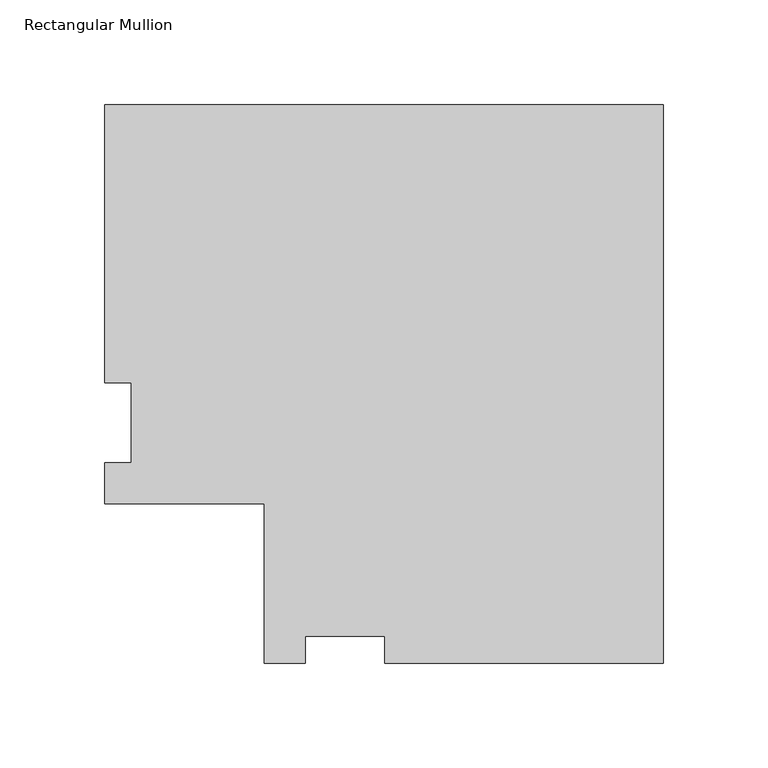
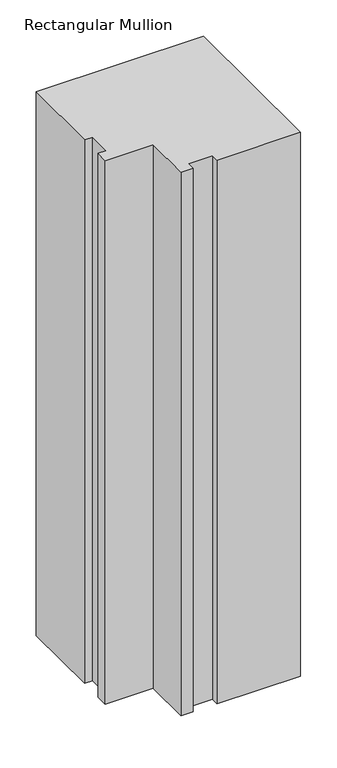
"""IFC4 building model written with IfcOpenShell, lengths in millimetres: member geometry, Rectangular Mullion."""

from ifc_helpers import new_model, si_unit, frame, origin, place, context, project, spatial, polyline, outline, extrude, source, transform, mapped, element, save


def rectangular_mullion_66f6ffcb(model_context):
    return source(origin(), model_context, "Body", "SweptSolid", [
        extrude(outline(polyline([(-266.7762, 190.5896938), (0.0, 190.5896938), (0.0, -76.1865068), (-132.9436021, -76.1865068), (-132.9436021, -63.4865062), (-171.0436, -63.4865062), (-171.0436, -76.1865063), (-190.5762, -76.1865063), (-190.5762, 0.0134938), (-266.7762, 0.0134938), (-266.7762, 19.5460938), (-254.0762, 19.5460938), (-254.0762, 57.6460938), (-266.7762, 57.6460938), (-266.7762, 190.5896938)])), frame((0.0, 0.0, -914.4), z_axis=(0.0, 0.0, 1.0), x_axis=(1.0, 0.0, 0.0)), (0.0, 0.0, 1.0), 914.4),
    ])


if __name__ == "__main__":
    model = new_model("IFC4")
    model_context = context("Model", 3, world=origin())
    ifc_project = project(units=[si_unit("LENGTHUNIT", "METRE", prefix="MILLI")], contexts=[model_context])
    site = spatial("IfcSite", under=ifc_project)
    building = spatial("IfcBuilding", under=site)
    placement = place(None, origin())
    rectangular_mullion_shape = rectangular_mullion_66f6ffcb(model_context)
    element("IfcMember", 1, ObjectType="Rectangular Mullion", at=placement, inside=building, context=model_context, shape_type="MappedRepresentation", body=[
        mapped(rectangular_mullion_shape, transform((0.0, 0.0, 0.0), x_axis=(1.0, 0.0, 0.0), y_axis=(0.0, 1.0, 0.0), z_axis=(0.0, 0.0, 1.0))),
    ])
    save(model, "model.ifc")
